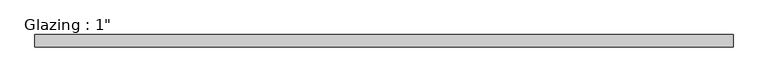
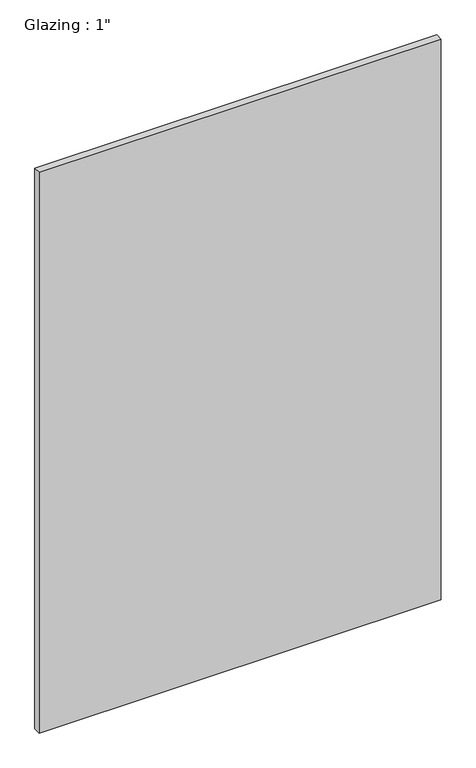
"""IFC4 building model written with IfcOpenShell, lengths in millimetres: plate geometry."""

from ifc_helpers import new_model, si_unit, origin, origin_with_axes, place, context, project, spatial, polyline, outline, extrude, source, transform, mapped, element, save


def plate_46ad4f85(model_context):
    return source(origin(), model_context, "Body", "SweptSolid", [
        extrude(outline(polyline([(710.5540109, -12.7), (-710.5540109, -12.7), (-710.5540109, 12.7), (710.5540109, 12.7), (710.5540109, -12.7)])), origin_with_axes(), (0.0, 0.0, 1.0), 2094.5427636),
    ])


if __name__ == "__main__":
    model = new_model("IFC4")
    model_context = context("Model", 3, world=origin())
    ifc_project = project(units=[si_unit("LENGTHUNIT", "METRE", prefix="MILLI")], contexts=[model_context])
    site = spatial("IfcSite", under=ifc_project)
    building = spatial("IfcBuilding", under=site)
    placement = place(None, origin())
    plate_shape = plate_46ad4f85(model_context)
    element("IfcPlate", 1, ObjectType="Glazing : 1\"", at=placement, inside=building, context=model_context, shape_type="MappedRepresentation", body=[
        mapped(plate_shape, transform((0.0, 0.0, 0.0), x_axis=(1.0, 0.0, 0.0), y_axis=(0.0, 1.0, 0.0), z_axis=(0.0, 0.0, 1.0))),
    ])
    save(model, "model.ifc")
